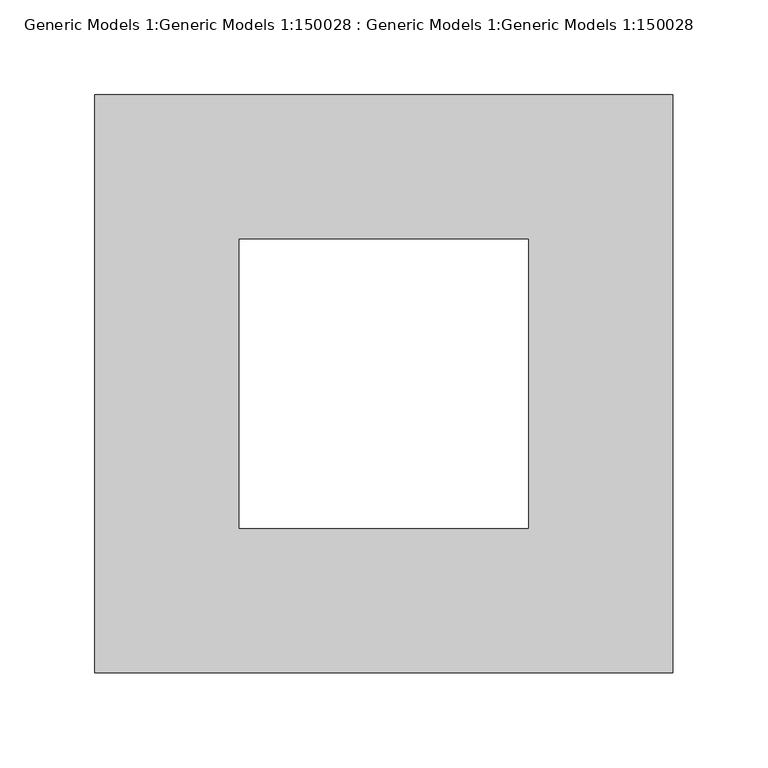
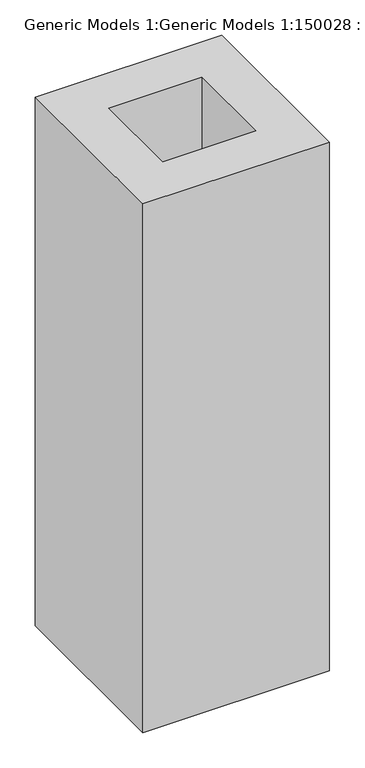
"""IFC4 building model written with IfcOpenShell, lengths in millimetres: proxy geometry, Generic Models 1:Generic Models 1:150028 : Generic Models 1:Generic Models 1:150028."""

from ifc_helpers import new_model, si_unit, origin, origin_with_axes, place, context, project, spatial, polyline, outline, extrude, source, transform, mapped, element, save


def generic_models_1_generic_models_1_150028_generic_models_1_c1d1807a(model_context):
    return source(origin(), model_context, "Body", "SweptSolid", [
        extrude(outline(polyline([(304.8, 304.8), (304.8, 0.0), (0.0, 0.0), (0.0, 304.8), (304.8, 304.8)]), holes=[polyline([(228.6, 76.2), (228.6, 228.6), (76.2, 228.6), (76.2, 76.2), (228.6, 76.2)])]), origin_with_axes(), (0.0, 0.0, 1.0), 914.4),
    ])


if __name__ == "__main__":
    model = new_model("IFC4")
    model_context = context("Model", 3, world=origin())
    ifc_project = project(units=[si_unit("LENGTHUNIT", "METRE", prefix="MILLI")], contexts=[model_context])
    site = spatial("IfcSite", under=ifc_project)
    building = spatial("IfcBuilding", under=site)
    placement = place(None, origin())
    generic_models_1_generic_models_1_150028_generic_models_1_shape = generic_models_1_generic_models_1_150028_generic_models_1_c1d1807a(model_context)
    element("IfcBuildingElementProxy", 1, Name="Generic Models 1:Generic Models 1:150028 : Generic Models 1:Generic Models 1:150028", ObjectType="Generic Models 1:Generic Models 1:150028 : Generic Models 1:Generic Models 1:150028", at=placement, inside=building, context=model_context, shape_type="MappedRepresentation", body=[
        mapped(generic_models_1_generic_models_1_150028_generic_models_1_shape, transform((0.0, 0.0, 0.0), x_axis=(1.0, 0.0, 0.0), y_axis=(0.0, 1.0, 0.0), z_axis=(0.0, 0.0, 1.0))),
    ])
    save(model, "model.ifc")
